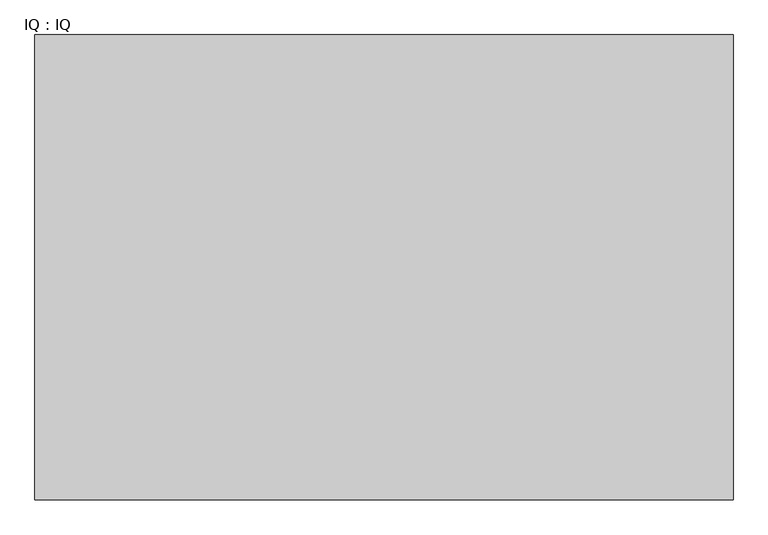
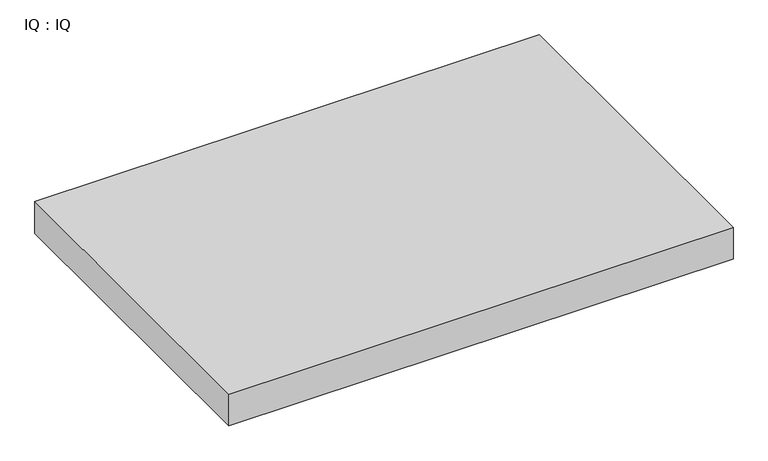
"""IFC4 building model written with IfcOpenShell, lengths in millimetres: proxy geometry, IQ : IQ."""

from ifc_helpers import new_model, si_unit, frame, origin, place, context, project, spatial, polyline, outline, extrude, source, transform, mapped, element, save


def iq_iq_3a8625a5(model_context):
    return source(origin(), model_context, "Body", "SweptSolid", [
        extrude(outline(polyline([(3000.0, 2000.0), (3000.0, 0.0), (0.0, 0.0), (0.0, 2000.0), (3000.0, 2000.0)])), frame((0.0, 0.0, 400.0), z_axis=(0.0, 0.0, 1.0), x_axis=(1.0, 0.0, 0.0)), (0.0, 0.0, 1.0), 200.0),
    ])


if __name__ == "__main__":
    model = new_model("IFC4")
    model_context = context("Model", 3, world=origin())
    ifc_project = project(units=[si_unit("LENGTHUNIT", "METRE", prefix="MILLI")], contexts=[model_context])
    site = spatial("IfcSite", under=ifc_project)
    building = spatial("IfcBuilding", under=site)
    placement = place(None, origin())
    iq_iq_shape = iq_iq_3a8625a5(model_context)
    element("IfcBuildingElementProxy", 1, Name="IQ : IQ", ObjectType="IQ : IQ", at=placement, inside=building, context=model_context, shape_type="MappedRepresentation", body=[
        mapped(iq_iq_shape, transform((0.0, 0.0, 0.0), x_axis=(1.0, 0.0, 0.0), y_axis=(0.0, 1.0, 0.0), z_axis=(0.0, 0.0, 1.0))),
    ])
    save(model, "model.ifc")
